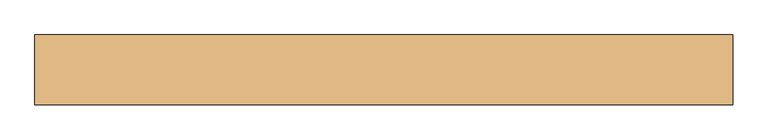
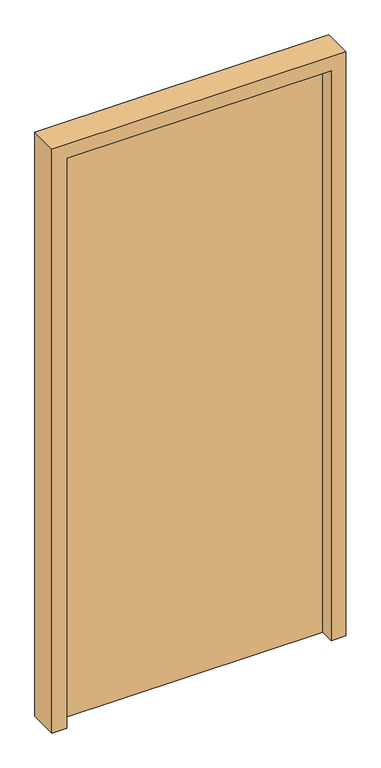
"""IFC4 building model written with IfcOpenShell, lengths in millimetres: door geometry."""

from ifc_helpers import new_model, si_unit, frame, origin, origin_with_axes, place, context, project, spatial, polyline, outline, extrude, source, transform, mapped, element, save


def door_57be7e1d(model_context):
    return source(origin(), model_context, "Body", "SweptSolid", [
        extrude(outline(polyline([(-450.0, 60.0), (450.0, 60.0), (450.0, 10.0), (-450.0, 10.0), (-450.0, 60.0)])), origin_with_axes(), (0.0, 0.0, 1.0), 2050.0),
        extrude(outline(polyline([(0.0, -500.0), (0.0, -450.0), (2050.0, -450.0), (2050.0, 450.0), (0.0, 450.0), (0.0, 500.0), (2100.0, 500.0), (2100.0, -500.0), (0.0, -500.0)])), frame((0.0, -40.0, 0.0), z_axis=(0.0, 1.0, 0.0), x_axis=(0.0, 0.0, 1.0)), (0.0, 0.0, 1.0), 100.0),
    ])


if __name__ == "__main__":
    model = new_model("IFC4")
    model_context = context("Model", 3, world=origin())
    ifc_project = project(units=[si_unit("LENGTHUNIT", "METRE", prefix="MILLI")], contexts=[model_context])
    site = spatial("IfcSite", under=ifc_project)
    building = spatial("IfcBuilding", under=site)
    placement = place(None, origin())
    door_shape = door_57be7e1d(model_context)
    element("IfcDoor", 1, at=placement, inside=building, context=model_context, shape_type="MappedRepresentation", body=[
        mapped(door_shape, transform((0.0, 0.0, 0.0), x_axis=(1.0, 0.0, 0.0), y_axis=(0.0, 1.0, 0.0), z_axis=(0.0, 0.0, 1.0))),
    ])
    save(model, "model.ifc")
